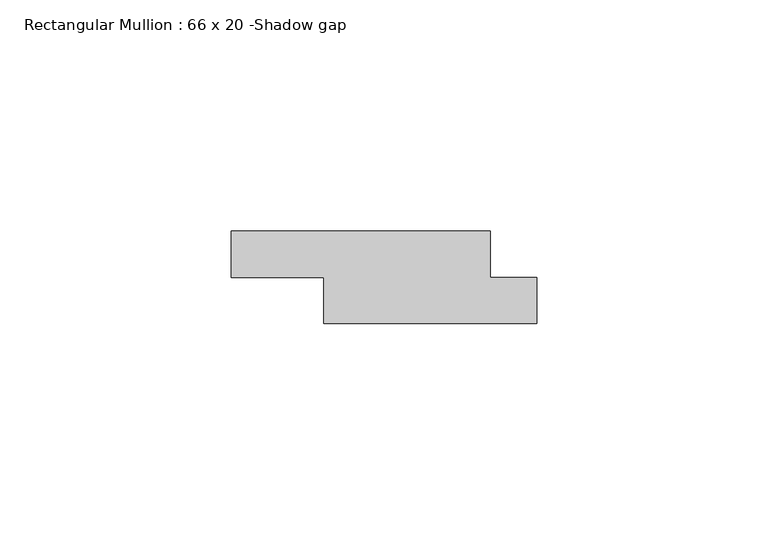
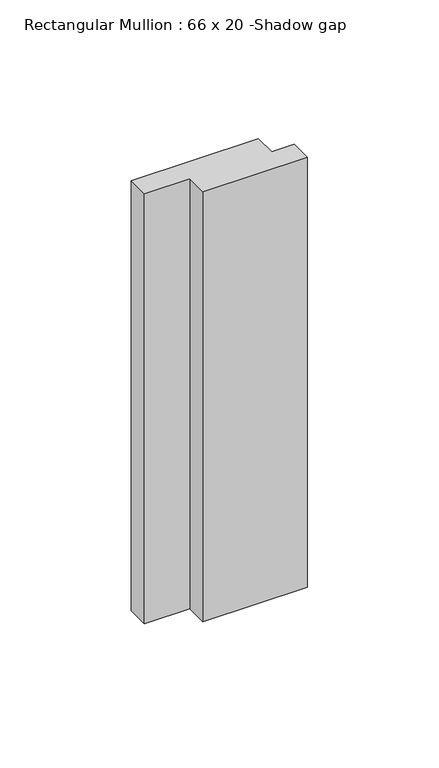
"""IFC4 building model written with IfcOpenShell, lengths in millimetres: member geometry, Rectangular Mullion : 66 x 20 -Shadow gap."""

import ifcopenshell
import ifcopenshell.guid

model = None  # the IFC model being written
_history = None  # IfcOwnerHistory: only IFC2X3 demands one
_inside = {}  # id of a spatial element -> (the spatial element, [elements in it])
_under = {}  # id of a project, library or spatial element -> (it, [spatial elements below it])
_declared = {}  # id of a project -> (the project, [libraries it declares])
_typed = {}  # id of a type object -> (the type object, [elements of that type])
_made_of = {}  # id of a material, layer set ... -> (it, [elements and type objects made of it])


def new_model(schema):
    """Start an empty IFC model of exactly this schema.

    Asked for "IFC4X3", IfcOpenShell would pick the latest addendum, in which some entities
    have other attributes; the version numbers below select the first issue.
    IFC2X3 requires an IfcOwnerHistory on every rooted entity: one is made here for all.
    """
    global model, _history
    if schema == "IFC4X3":
        model = ifcopenshell.file(schema_version=(4, 3, 0, 0))
    else:
        model = ifcopenshell.file(schema=schema)
    _inside.clear()
    _under.clear()
    _declared.clear()
    _typed.clear()
    _made_of.clear()
    _history = None
    if model.schema == "IFC2X3":
        org = make("IfcOrganization", Name="unknown")
        user = make(
            "IfcPersonAndOrganization",
            ThePerson=make("IfcPerson", FamilyName="unknown"),
            TheOrganization=org,
        )
        app = make(
            "IfcApplication",
            ApplicationDeveloper=org,
            Version="unknown",
            ApplicationFullName="unknown",
            ApplicationIdentifier="unknown",
        )
        _history = make(
            "IfcOwnerHistory",
            OwningUser=user,
            OwningApplication=app,
            ChangeAction="ADDED",
            CreationDate=0,
        )
    return model


def make(cls, **values):
    """One entity of the class cls with the attributes given. An attribute that is None is left unset."""
    return model.create_entity(
        cls, **{name: value for name, value in values.items() if value is not None}
    )


def rooted(cls, **values):
    """An entity with a GlobalId (a new one), such as an element, a storey or a relation."""
    return make(cls, GlobalId=ifcopenshell.guid.new(), OwnerHistory=_history, **values)


def si_unit(unit_type, name, prefix=None):
    """IfcSIUnit, for example si_unit("LENGTHUNIT", "METRE", prefix="MILLI")."""
    return make("IfcSIUnit", UnitType=unit_type, Prefix=prefix, Name=name)


def assignment(units):
    """IfcUnitAssignment: the units of a project."""
    return None if units is None else make("IfcUnitAssignment", Units=units)


def point(xyz):
    """IfcCartesianPoint."""
    return None if xyz is None else make("IfcCartesianPoint", Coordinates=xyz)


def direction(xyz):
    """IfcDirection."""
    return None if xyz is None else make("IfcDirection", DirectionRatios=xyz)


def frame(location, z_axis=None, x_axis=None):
    """IfcAxis2Placement3D, a coordinate frame: its origin and axes. An axis left out is left unset."""
    return make(
        "IfcAxis2Placement3D",
        Location=point(location),
        Axis=direction(z_axis),
        RefDirection=direction(x_axis),
    )


def origin():
    """The frame at (0, 0, 0) with its axes left unset."""
    return frame((0.0, 0.0, 0.0))


def place(relative_to, where):
    """IfcLocalPlacement: puts the frame where relative to a parent placement (None: the world)."""
    return make(
        "IfcLocalPlacement", PlacementRelTo=relative_to, RelativePlacement=where
    )


def context(
    kind, dimensions, precision=None, world=None, true_north=None, identifier=None
):
    """IfcGeometricRepresentationContext, for example the 3D "Model" context."""
    return make(
        "IfcGeometricRepresentationContext",
        ContextIdentifier=identifier,
        ContextType=kind,
        CoordinateSpaceDimension=dimensions,
        Precision=precision,
        WorldCoordinateSystem=world,
        TrueNorth=true_north,
    )


def project(units=None, contexts=None):
    """IfcProject with its units and contexts."""
    return rooted(
        "IfcProject",
        Name="project",
        RepresentationContexts=contexts,
        UnitsInContext=assignment(units),
    )


def spatial(cls, under=None, at=None, **own):
    """A site, building, storey or space (cls), placed at a placement, below another one or the project."""
    s = rooted(cls, ObjectPlacement=at, **own)
    if under is not None:
        _under.setdefault(under.id(), (under, []))[1].append(s)
    return s


def polyline(points):
    """IfcPolyline through the points."""
    return make("IfcPolyline", Points=[point(p) for p in points])


def outline(outer, holes=None, kind="AREA"):
    """IfcArbitraryClosedProfileDef: a profile drawn as a closed curve; with holes, ...WithVoids."""
    if holes is None:
        return make("IfcArbitraryClosedProfileDef", ProfileType=kind, OuterCurve=outer)
    return make(
        "IfcArbitraryProfileDefWithVoids",
        ProfileType=kind,
        OuterCurve=outer,
        InnerCurves=holes,
    )


def extrude(swept, where, along, depth):
    """IfcExtrudedAreaSolid: the profile swept, set in the frame where, extruded along a direction by depth."""
    return make(
        "IfcExtrudedAreaSolid",
        SweptArea=swept,
        Position=where,
        ExtrudedDirection=direction(along),
        Depth=depth,
    )


def shape(context_of_items, identifier, shape_type, items):
    """IfcShapeRepresentation: the items that make up one representation, for example the "Body"."""
    return make(
        "IfcShapeRepresentation",
        ContextOfItems=context_of_items,
        RepresentationIdentifier=identifier,
        RepresentationType=shape_type,
        Items=items,
    )


def source(mapping_origin, context_of_items, identifier, shape_type, items):
    """IfcRepresentationMap: a shape defined once, which mapped items show again and again."""
    return make(
        "IfcRepresentationMap",
        MappingOrigin=mapping_origin,
        MappedRepresentation=shape(context_of_items, identifier, shape_type, items),
    )


def transform(
    local_origin,
    x_axis=None,
    y_axis=None,
    z_axis=None,
    scale=None,
    scale2=None,
    scale3=None,
    uniform=True,
):
    """IfcCartesianTransformationOperator3D, or its non-uniform kind. x_axis, y_axis, z_axis: its Axis1, 2, 3."""
    if uniform:
        return make(
            "IfcCartesianTransformationOperator3D",
            Axis1=direction(x_axis),
            Axis2=direction(y_axis),
            LocalOrigin=point(local_origin),
            Scale=scale,
            Axis3=direction(z_axis),
        )
    return make(
        "IfcCartesianTransformationOperator3DnonUniform",
        Axis1=direction(x_axis),
        Axis2=direction(y_axis),
        LocalOrigin=point(local_origin),
        Scale=scale,
        Axis3=direction(z_axis),
        Scale2=scale2,
        Scale3=scale3,
    )


def mapped(mapping_source, mapping_target):
    """IfcMappedItem: shows the shape of a source again, moved by a transform."""
    return make(
        "IfcMappedItem", MappingSource=mapping_source, MappingTarget=mapping_target
    )


def made_of(thing, what):
    """Note that an element or type object is made of a material, layer set ...; save() writes the relation."""
    if what is not None:
        _made_of.setdefault(what.id(), (what, []))[1].append(thing)
    return thing


def element(
    cls,
    number,
    at=None,
    inside=None,
    cuts=None,
    type_object=None,
    material=None,
    context=None,
    identifier="Body",
    shape_type=None,
    held_by="IfcProductDefinitionShape",
    body=None,
    shapes=None,
    **own,
):
    """One element of the class cls, such as IfcWall. Its Tag is "e" and its number.

    at: its placement. inside: the storey or other place that contains it. cuts: it is an
    opening in that element (IfcRelVoidsElement). A single representation is given by context,
    identifier, shape_type and body (its items); several are given by shapes. held_by: the class
    of the entity that holds the representations. save() writes the other relations.
    """
    e = rooted(cls, Tag="e%d" % number, ObjectPlacement=at, **own)
    if body is not None:
        shapes = [shape(context, identifier, shape_type, body)]
    if shapes is not None:
        e.Representation = make(held_by, Representations=shapes)
    if inside is not None:
        _inside.setdefault(inside.id(), (inside, []))[1].append(e)
    if cuts is not None:
        rooted(
            "IfcRelVoidsElement", RelatingBuildingElement=cuts, RelatedOpeningElement=e
        )
    if type_object is not None:
        _typed.setdefault(type_object.id(), (type_object, []))[1].append(e)
    return made_of(e, material)


def aggregate(whole, parts):
    """IfcRelAggregates: a whole, such as a stair, and the parts it consists of."""
    return rooted("IfcRelAggregates", RelatingObject=whole, RelatedObjects=parts)


def save(model, path):
    """Write the relations noted so far, then the file.

    IfcRelAggregates (storeys below a building ...), IfcRelContainedInSpatialStructure (elements
    in a storey), IfcRelDefinesByType, IfcRelAssociatesMaterial and IfcRelDeclares: one each for
    every whole, place, type object, material and project.
    """
    for whole, parts in _under.values():
        aggregate(whole, parts)
    for where, things in _inside.values():
        rooted(
            "IfcRelContainedInSpatialStructure",
            RelatedElements=things,
            RelatingStructure=where,
        )
    for kind, things in _typed.values():
        rooted("IfcRelDefinesByType", RelatedObjects=things, RelatingType=kind)
    for what, things in _made_of.values():
        rooted("IfcRelAssociatesMaterial", RelatedObjects=things, RelatingMaterial=what)
    for by, libraries in _declared.values():
        rooted("IfcRelDeclares", RelatingContext=by, RelatedDefinitions=libraries)
    model.write(path)


def rectangular_mullion_66_x_20_shadow_gap_cbc7195d(model_context):
    return source(origin(), model_context, "Body", "SweptSolid", [
        extrude(outline(polyline([(-66.0, -10.0), (-66.0, 0.0), (-10.0, 0.0), (-10.0, -10.0), (0.0, -10.0), (0.0, -20.0), (-46.0, -20.0), (-46.0, -10.0), (-66.0, -10.0)])), frame((0.0, 0.0, -200.0), z_axis=(0.0, 0.0, 1.0), x_axis=(1.0, 0.0, 0.0)), (0.0, 0.0, 1.0), 200.0),
    ])


if __name__ == "__main__":
    model = new_model("IFC4")
    model_context = context("Model", 3, world=origin())
    ifc_project = project(units=[si_unit("LENGTHUNIT", "METRE", prefix="MILLI")], contexts=[model_context])
    site = spatial("IfcSite", under=ifc_project)
    building = spatial("IfcBuilding", under=site)
    placement = place(None, origin())
    rectangular_mullion_66_x_20_shadow_gap_shape = rectangular_mullion_66_x_20_shadow_gap_cbc7195d(model_context)
    element("IfcMember", 1, ObjectType="Rectangular Mullion : 66 x 20 -Shadow gap", at=placement, inside=building, context=model_context, shape_type="MappedRepresentation", body=[
        mapped(rectangular_mullion_66_x_20_shadow_gap_shape, transform((0.0, 0.0, 0.0), x_axis=(1.0, 0.0, 0.0), y_axis=(0.0, 1.0, 0.0), z_axis=(0.0, 0.0, 1.0))),
    ])
    save(model, "model.ifc")
